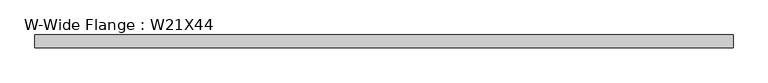
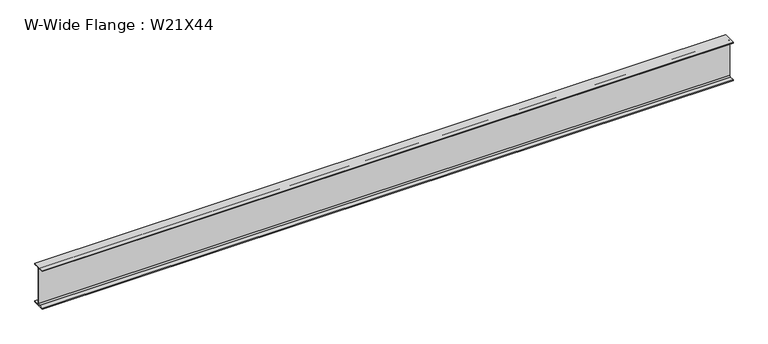
"""IFC4 building model written with IfcOpenShell, lengths in millimetres: beam geometry, W-Wide Flange : W21X44."""

from ifc_helpers import new_model, si_unit, point, frame, frame_2d, origin, place, context, project, spatial, polyline, circle_curve, trimmed, segment, composite_curve, outline, extrude, source, transform, mapped, element, save


def w_wide_flange_w21x44_e803bf3d(model_context):
    return source(origin(), model_context, "Body", "SweptSolid", [
        extrude(outline(composite_curve([segment(polyline([(82.55, -251.4699219), (82.55, -262.8800781), (-82.55, -262.8800781), (-82.55, -251.4699219), (-21.6296875, -251.4699219)]), True, "CONTINUOUS"), segment(trimmed(circle_curve(frame_2d((-21.6296875, -234.3050781)), 17.1648437), [point((-21.6296875, -251.4699219))], [point((-4.4648438, -234.3050781))], True, "CARTESIAN"), True, "CONTINUOUS"), segment(polyline([(-4.4648438, -234.3050781), (-4.4648438, 234.3050781)]), True, "CONTINUOUS"), segment(trimmed(circle_curve(frame_2d((-21.6296875, 234.3050781)), 17.1648437), [point((-4.4648438, 234.3050781))], [point((-21.6296875, 251.4699219))], True, "CARTESIAN"), True, "CONTINUOUS"), segment(polyline([(-21.6296875, 251.4699219), (-82.55, 251.4699219), (-82.55, 262.8800781), (82.55, 262.8800781), (82.55, 251.4699219), (21.6296875, 251.4699219)]), True, "CONTINUOUS"), segment(trimmed(circle_curve(frame_2d((21.6296875, 234.3050781)), 17.1648437), [point((21.6296875, 251.4699219))], [point((4.4648437, 234.3050781))], True, "CARTESIAN"), True, "CONTINUOUS"), segment(polyline([(4.4648437, 234.3050781), (4.4648437, -234.3050781)]), True, "CONTINUOUS"), segment(trimmed(circle_curve(frame_2d((21.6296875, -234.3050781)), 17.1648437), [point((4.4648437, -234.3050781))], [point((21.6296875, -251.4699219))], True, "CARTESIAN"), True, "CONTINUOUS"), segment(polyline([(21.6296875, -251.4699219), (82.55, -251.4699219)]), True, "CONTINUOUS")], self_intersect=False)), frame((-4456.4101562, 0.0, 0.0), z_axis=(1.0, 0.0, 0.0), x_axis=(0.0, 1.0, 0.0)), (0.0, 0.0, 1.0), 8914.8542969),
    ])


if __name__ == "__main__":
    model = new_model("IFC4")
    model_context = context("Model", 3, world=origin())
    ifc_project = project(units=[si_unit("LENGTHUNIT", "METRE", prefix="MILLI")], contexts=[model_context])
    site = spatial("IfcSite", under=ifc_project)
    building = spatial("IfcBuilding", under=site)
    placement = place(None, origin())
    w_wide_flange_w21x44_shape = w_wide_flange_w21x44_e803bf3d(model_context)
    element("IfcBeam", 1, ObjectType="W-Wide Flange : W21X44", at=placement, inside=building, context=model_context, shape_type="MappedRepresentation", body=[
        mapped(w_wide_flange_w21x44_shape, transform((0.0, 0.0, 0.0), x_axis=(1.0, 0.0, 0.0), y_axis=(0.0, 1.0, 0.0), z_axis=(0.0, 0.0, 1.0))),
    ])
    save(model, "model.ifc")
